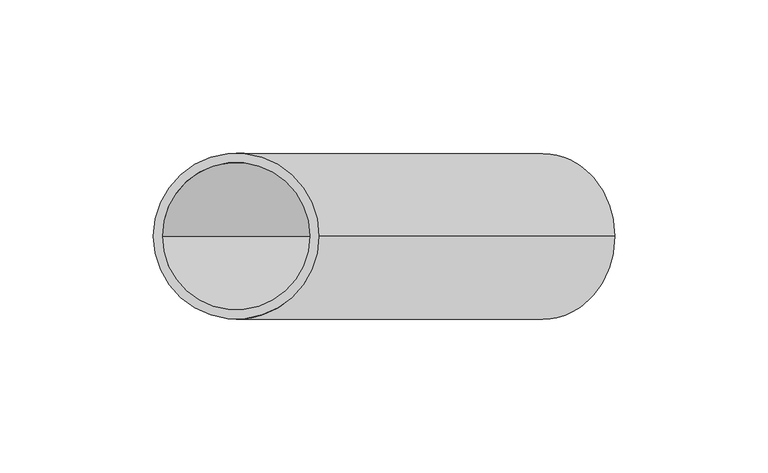
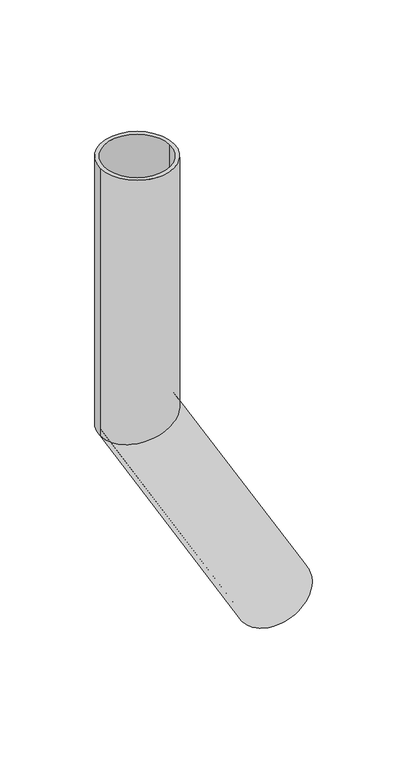
"""IFC4 building model written with IfcOpenShell, lengths in millimetres: beam geometry."""

import ifcopenshell
import ifcopenshell.guid

model = None  # the IFC model being written
_history = None  # IfcOwnerHistory: only IFC2X3 demands one
_inside = {}  # id of a spatial element -> (the spatial element, [elements in it])
_under = {}  # id of a project, library or spatial element -> (it, [spatial elements below it])
_declared = {}  # id of a project -> (the project, [libraries it declares])
_typed = {}  # id of a type object -> (the type object, [elements of that type])
_made_of = {}  # id of a material, layer set ... -> (it, [elements and type objects made of it])


def new_model(schema):
    """Start an empty IFC model of exactly this schema.

    Asked for "IFC4X3", IfcOpenShell would pick the latest addendum, in which some entities
    have other attributes; the version numbers below select the first issue.
    IFC2X3 requires an IfcOwnerHistory on every rooted entity: one is made here for all.
    """
    global model, _history
    if schema == "IFC4X3":
        model = ifcopenshell.file(schema_version=(4, 3, 0, 0))
    else:
        model = ifcopenshell.file(schema=schema)
    _inside.clear()
    _under.clear()
    _declared.clear()
    _typed.clear()
    _made_of.clear()
    _history = None
    if model.schema == "IFC2X3":
        org = make("IfcOrganization", Name="unknown")
        user = make(
            "IfcPersonAndOrganization",
            ThePerson=make("IfcPerson", FamilyName="unknown"),
            TheOrganization=org,
        )
        app = make(
            "IfcApplication",
            ApplicationDeveloper=org,
            Version="unknown",
            ApplicationFullName="unknown",
            ApplicationIdentifier="unknown",
        )
        _history = make(
            "IfcOwnerHistory",
            OwningUser=user,
            OwningApplication=app,
            ChangeAction="ADDED",
            CreationDate=0,
        )
    return model


def make(cls, **values):
    """One entity of the class cls with the attributes given. An attribute that is None is left unset."""
    return model.create_entity(
        cls, **{name: value for name, value in values.items() if value is not None}
    )


def rooted(cls, **values):
    """An entity with a GlobalId (a new one), such as an element, a storey or a relation."""
    return make(cls, GlobalId=ifcopenshell.guid.new(), OwnerHistory=_history, **values)


def si_unit(unit_type, name, prefix=None):
    """IfcSIUnit, for example si_unit("LENGTHUNIT", "METRE", prefix="MILLI")."""
    return make("IfcSIUnit", UnitType=unit_type, Prefix=prefix, Name=name)


def assignment(units):
    """IfcUnitAssignment: the units of a project."""
    return None if units is None else make("IfcUnitAssignment", Units=units)


def point(xyz):
    """IfcCartesianPoint."""
    return None if xyz is None else make("IfcCartesianPoint", Coordinates=xyz)


def direction(xyz):
    """IfcDirection."""
    return None if xyz is None else make("IfcDirection", DirectionRatios=xyz)


def frame(location, z_axis=None, x_axis=None):
    """IfcAxis2Placement3D, a coordinate frame: its origin and axes. An axis left out is left unset."""
    return make(
        "IfcAxis2Placement3D",
        Location=point(location),
        Axis=direction(z_axis),
        RefDirection=direction(x_axis),
    )


def origin():
    """The frame at (0, 0, 0) with its axes left unset."""
    return frame((0.0, 0.0, 0.0))


def place(relative_to, where):
    """IfcLocalPlacement: puts the frame where relative to a parent placement (None: the world)."""
    return make(
        "IfcLocalPlacement", PlacementRelTo=relative_to, RelativePlacement=where
    )


def context(
    kind, dimensions, precision=None, world=None, true_north=None, identifier=None
):
    """IfcGeometricRepresentationContext, for example the 3D "Model" context."""
    return make(
        "IfcGeometricRepresentationContext",
        ContextIdentifier=identifier,
        ContextType=kind,
        CoordinateSpaceDimension=dimensions,
        Precision=precision,
        WorldCoordinateSystem=world,
        TrueNorth=true_north,
    )


def project(units=None, contexts=None):
    """IfcProject with its units and contexts."""
    return rooted(
        "IfcProject",
        Name="project",
        RepresentationContexts=contexts,
        UnitsInContext=assignment(units),
    )


def spatial(cls, under=None, at=None, **own):
    """A site, building, storey or space (cls), placed at a placement, below another one or the project."""
    s = rooted(cls, ObjectPlacement=at, **own)
    if under is not None:
        _under.setdefault(under.id(), (under, []))[1].append(s)
    return s


def polyline(points):
    """IfcPolyline through the points."""
    return make("IfcPolyline", Points=[point(p) for p in points])


def circle_curve(where, radius):
    """IfcCircle in the frame where."""
    return make("IfcCircle", Position=where, Radius=radius)


def ellipse_curve(where, semi_axis1, semi_axis2):
    """IfcEllipse in the frame where."""
    return make(
        "IfcEllipse", Position=where, SemiAxis1=semi_axis1, SemiAxis2=semi_axis2
    )


def shape(context_of_items, identifier, shape_type, items):
    """IfcShapeRepresentation: the items that make up one representation, for example the "Body"."""
    return make(
        "IfcShapeRepresentation",
        ContextOfItems=context_of_items,
        RepresentationIdentifier=identifier,
        RepresentationType=shape_type,
        Items=items,
    )


def source(mapping_origin, context_of_items, identifier, shape_type, items):
    """IfcRepresentationMap: a shape defined once, which mapped items show again and again."""
    return make(
        "IfcRepresentationMap",
        MappingOrigin=mapping_origin,
        MappedRepresentation=shape(context_of_items, identifier, shape_type, items),
    )


def transform(
    local_origin,
    x_axis=None,
    y_axis=None,
    z_axis=None,
    scale=None,
    scale2=None,
    scale3=None,
    uniform=True,
):
    """IfcCartesianTransformationOperator3D, or its non-uniform kind. x_axis, y_axis, z_axis: its Axis1, 2, 3."""
    if uniform:
        return make(
            "IfcCartesianTransformationOperator3D",
            Axis1=direction(x_axis),
            Axis2=direction(y_axis),
            LocalOrigin=point(local_origin),
            Scale=scale,
            Axis3=direction(z_axis),
        )
    return make(
        "IfcCartesianTransformationOperator3DnonUniform",
        Axis1=direction(x_axis),
        Axis2=direction(y_axis),
        LocalOrigin=point(local_origin),
        Scale=scale,
        Axis3=direction(z_axis),
        Scale2=scale2,
        Scale3=scale3,
    )


def mapped(mapping_source, mapping_target):
    """IfcMappedItem: shows the shape of a source again, moved by a transform."""
    return make(
        "IfcMappedItem", MappingSource=mapping_source, MappingTarget=mapping_target
    )


def made_of(thing, what):
    """Note that an element or type object is made of a material, layer set ...; save() writes the relation."""
    if what is not None:
        _made_of.setdefault(what.id(), (what, []))[1].append(thing)
    return thing


def element(
    cls,
    number,
    at=None,
    inside=None,
    cuts=None,
    type_object=None,
    material=None,
    context=None,
    identifier="Body",
    shape_type=None,
    held_by="IfcProductDefinitionShape",
    body=None,
    shapes=None,
    **own,
):
    """One element of the class cls, such as IfcWall. Its Tag is "e" and its number.

    at: its placement. inside: the storey or other place that contains it. cuts: it is an
    opening in that element (IfcRelVoidsElement). A single representation is given by context,
    identifier, shape_type and body (its items); several are given by shapes. held_by: the class
    of the entity that holds the representations. save() writes the other relations.
    """
    e = rooted(cls, Tag="e%d" % number, ObjectPlacement=at, **own)
    if body is not None:
        shapes = [shape(context, identifier, shape_type, body)]
    if shapes is not None:
        e.Representation = make(held_by, Representations=shapes)
    if inside is not None:
        _inside.setdefault(inside.id(), (inside, []))[1].append(e)
    if cuts is not None:
        rooted(
            "IfcRelVoidsElement", RelatingBuildingElement=cuts, RelatedOpeningElement=e
        )
    if type_object is not None:
        _typed.setdefault(type_object.id(), (type_object, []))[1].append(e)
    return made_of(e, material)


def aggregate(whole, parts):
    """IfcRelAggregates: a whole, such as a stair, and the parts it consists of."""
    return rooted("IfcRelAggregates", RelatingObject=whole, RelatedObjects=parts)


def save(model, path):
    """Write the relations noted so far, then the file.

    IfcRelAggregates (storeys below a building ...), IfcRelContainedInSpatialStructure (elements
    in a storey), IfcRelDefinesByType, IfcRelAssociatesMaterial and IfcRelDeclares: one each for
    every whole, place, type object, material and project.
    """
    for whole, parts in _under.values():
        aggregate(whole, parts)
    for where, things in _inside.values():
        rooted(
            "IfcRelContainedInSpatialStructure",
            RelatedElements=things,
            RelatingStructure=where,
        )
    for kind, things in _typed.values():
        rooted("IfcRelDefinesByType", RelatedObjects=things, RelatingType=kind)
    for what, things in _made_of.values():
        rooted("IfcRelAssociatesMaterial", RelatedObjects=things, RelatingMaterial=what)
    for by, libraries in _declared.values():
        rooted("IfcRelDeclares", RelatingContext=by, RelatedDefinitions=libraries)
    model.write(path)


def plane_surface(at):
    """IfcPlane: the flat surface through the origin of the frame at, square to its z axis."""
    return make("IfcPlane", Position=at)


def cylinder_surface(at, radius):
    """IfcCylindricalSurface: all points at the distance radius from the z axis of the frame at."""
    return make("IfcCylindricalSurface", Position=at, Radius=radius)


def revolved_surface(curve, axis_point, axis_direction):
    """IfcSurfaceOfRevolution: the curve turned about the line through axis_point along axis_direction."""
    return make(
        "IfcSurfaceOfRevolution",
        SweptCurve=make("IfcArbitraryOpenProfileDef", ProfileType="CURVE", Curve=curve),
        AxisPosition=make("IfcAxis1Placement", Location=point(axis_point), Axis=direction(axis_direction)),
    )


def advanced_brep(points, edges, surfaces, faces):
    """IfcAdvancedBrep: a solid bounded by faces that lie on surfaces and meet in shared edges.

    An edge is (start, end): straight between two places in points (the first is 0);
    or (start, end, curve); or (start, end, curve, False) where it runs against its curve.
    A face is (place in surfaces, loops), or (place, loops, False) where it looks against
    its surface's normal. A loop lists edges by number (the first is 1), with a minus sign
    where the edge is run from its end to its start. The first loop is the outer one.
    """
    corners = [point(p) for p in points]
    vertices = [make("IfcVertexPoint", VertexGeometry=c) for c in corners]
    made = []
    for start, end, *more in edges:
        made.append(
            make(
                "IfcEdgeCurve",
                EdgeStart=vertices[start],
                EdgeEnd=vertices[end],
                EdgeGeometry=more[0] if more else make("IfcPolyline", Points=[corners[start], corners[end]]),
                SameSense=more[1] if len(more) > 1 else True,
            )
        )
    hull = []
    for where, loops, *sense in faces:
        bounds = []
        for j, loop in enumerate(loops):
            ring = [make("IfcOrientedEdge", EdgeElement=made[abs(k) - 1], Orientation=k > 0) for k in loop]
            bounds.append(
                make(
                    "IfcFaceOuterBound" if j == 0 else "IfcFaceBound",
                    Bound=make("IfcEdgeLoop", EdgeList=ring),
                    Orientation=True,
                )
            )
        hull.append(make("IfcAdvancedFace", Bounds=bounds, FaceSurface=surfaces[where], SameSense=sense[0] if sense else True))
    return make("IfcAdvancedBrep", Outer=make("IfcClosedShell", CfsFaces=hull))


def beam_00d1edb6(model_context):
    return source(origin(), model_context, "Body", "AdvancedBrep", [
        advanced_brep(
        [(123.3826859, 0.0, -359.7050808), (76.6173141, 0.0, -386.7050808), (120.7846097, 0.0, -361.2050808), (79.2153903, 0.0, -385.2050808), (27.0, 0.0, 0.0), (-27.0, 0.0, 0.0), (24.0, 0.0, 0.0), (-24.0, 0.0, 0.0), (24.0, 0.0, -193.5692194), (0.0, -24.0, -200.0), (-24.0, 0.0, -206.4307806), (0.0, 24.0, -200.0), (27.0, 0.0, -192.7653718), (-27.0, 0.0, -207.2346282)],
        [
            (0, 1, circle_curve(frame((100.0, 0.0, -373.2050808), z_axis=(0.5000000000000633, 0.0, -0.8660254037844022), x_axis=(-0.8660254037844022, 0.0, -0.5000000000000633)), 27.0)),
            (1, 0, circle_curve(frame((100.0, 0.0, -373.2050808), z_axis=(0.5000000000000633, 0.0, -0.8660254037844022), x_axis=(-0.8660254037844022, 0.0, -0.5000000000000633)), 27.0)),
            (2, 3, circle_curve(frame((100.0, 0.0, -373.2050808), z_axis=(-0.5000000000000633, 0.0, 0.8660254037844022), x_axis=(-0.8660254037844022, 0.0, -0.5000000000000633)), 24.0)),
            (3, 2, circle_curve(frame((100.0, 0.0, -373.2050808), z_axis=(-0.5000000000000633, 0.0, 0.8660254037844022), x_axis=(-0.8660254037844022, 0.0, -0.5000000000000633)), 24.0)),
            (4, 5, circle_curve(frame((0.0, 0.0, 0.0), z_axis=(0.0, 0.0, 1.0), x_axis=(-1.0, 0.0, 0.0)), 27.0)),
            (5, 4, circle_curve(frame((0.0, 0.0, 0.0), z_axis=(0.0, 0.0, 1.0), x_axis=(-1.0, 0.0, 0.0)), 27.0)),
            (6, 7, circle_curve(frame((0.0, 0.0, 0.0), z_axis=(0.0, 0.0, -1.0), x_axis=(-1.0, 0.0, 0.0)), 24.0)),
            (7, 6, circle_curve(frame((0.0, 0.0, 0.0), z_axis=(0.0, 0.0, -1.0), x_axis=(-1.0, 0.0, 0.0)), 24.0)),
            (6, 8),
            (8, 9, ellipse_curve(frame((0.0, 0.0, -200.0), z_axis=(0.25881904510255604, 0.0, -0.9659258262890589), x_axis=(0.9659258262890589, 0.0, 0.25881904510255593)), 24.8466283, 24.0)),
            (9, 10, ellipse_curve(frame((0.0, 0.0, -200.0), z_axis=(0.25881904510255604, 0.0, -0.9659258262890589), x_axis=(0.9659258262890589, 0.0, 0.25881904510255593)), 24.8466283, 24.0)),
            (10, 7),
            (10, 11, ellipse_curve(frame((0.0, 0.0, -200.0), z_axis=(0.25881904510255604, 0.0, -0.9659258262890589), x_axis=(0.9659258262890589, 0.0, 0.25881904510255593)), 24.8466283, 24.0)),
            (11, 8, ellipse_curve(frame((0.0, 0.0, -200.0), z_axis=(0.25881904510255604, 0.0, -0.9659258262890589), x_axis=(0.9659258262890589, 0.0, 0.25881904510255593)), 24.8466283, 24.0)),
            (4, 12),
            (12, 13, ellipse_curve(frame((0.0, 0.0, -200.0), z_axis=(-0.25881904510255604, 0.0, 0.9659258262890589), x_axis=(-0.9659258262890589, 0.0, -0.25881904510255593)), 27.9524569, 27.0)),
            (13, 5),
            (13, 12, ellipse_curve(frame((0.0, 0.0, -200.0), z_axis=(-0.25881904510255604, 0.0, 0.9659258262890589), x_axis=(-0.9659258262890589, 0.0, -0.25881904510255593)), 27.9524569, 27.0)),
            (2, 8),
            (10, 3),
            (0, 12),
            (13, 1),
        ],
        [
            plane_surface(frame((100.0, 0.0, -373.2050808), z_axis=(0.5000000000000633, 0.0, -0.8660254037844022), x_axis=(0.0, -1.0, 0.0))),
            plane_surface(frame((0.0, 0.0, 0.0), z_axis=(0.0, 0.0, 1.0), x_axis=(0.0, -1.0, 0.0))),
            revolved_surface(polyline([(-24.0, 0.0, 0.0), (-24.0, 0.0, -206.43078061062414)]), (0.0, 0.0, -200.0), (0.0, 0.0, 1.0)),
            cylinder_surface(frame((0.0, 0.0, -200.0), z_axis=(0.0, 0.0, -1.0), x_axis=(-1.0, 0.0, 0.0)), 27.0),
            revolved_surface(polyline([(-24.0000000266257, 0.0, -206.43078061537233), (79.2153903114686, 0.0, -385.2050808039753)]), (100.0, 0.0, -373.2050808), (-0.5000000000000633, 0.0, 0.8660254037844022)),
            cylinder_surface(frame((100.0, 0.0, -373.2050808), z_axis=(0.5000000000000633, 0.0, -0.8660254037844022), x_axis=(-0.8660254037844022, 0.0, -0.5000000000000633)), 27.0),
        ],
        [
            (0, [[1, 2], [3, 4]]),
            (1, [[5, 6], [7, 8]]),
            (2, [[-7, 9, 10, 11, 12]]),
            (2, [[-8, -12, 13, 14, -9]]),
            (3, [[-5, 15, 16, 17]]),
            (3, [[-6, -17, 18, -15]]),
            (4, [[-3, 19, -14, -13, 20]]),
            (4, [[-4, -20, -11, -10, -19]]),
            (5, [[-1, 21, -18, 22]]),
            (5, [[-2, -22, -16, -21]]),
        ],
    ),
    ])


if __name__ == "__main__":
    model = new_model("IFC4")
    model_context = context("Model", 3, world=origin())
    ifc_project = project(units=[si_unit("LENGTHUNIT", "METRE", prefix="MILLI")], contexts=[model_context])
    site = spatial("IfcSite", under=ifc_project)
    building = spatial("IfcBuilding", under=site)
    placement = place(None, origin())
    beam_shape = beam_00d1edb6(model_context)
    element("IfcBeam", 1, at=placement, inside=building, context=model_context, shape_type="MappedRepresentation", body=[
        mapped(beam_shape, transform((0.0, 0.0, 0.0), x_axis=(1.0, 0.0, 0.0), y_axis=(0.0, 1.0, 0.0), z_axis=(0.0, 0.0, 1.0))),
    ])
    save(model, "model.ifc")
